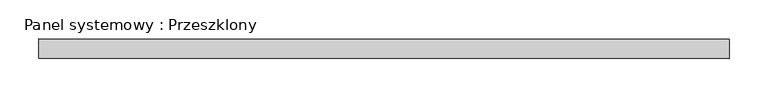
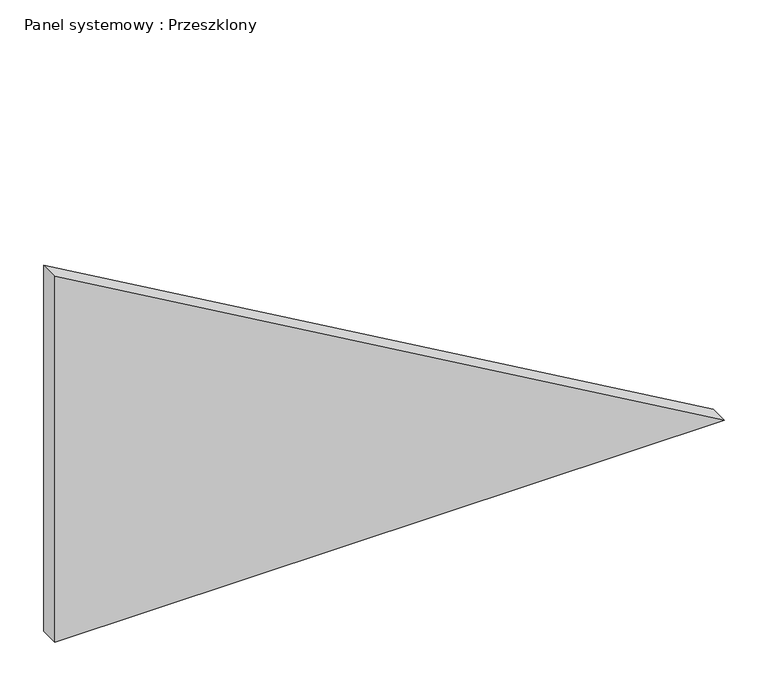
"""IFC4 building model written with IfcOpenShell, lengths in millimetres: plate geometry, Panel systemowy : Przeszklony."""

from ifc_helpers import new_model, si_unit, frame, origin, place, context, project, spatial, polyline, outline, extrude, source, transform, mapped, element, save


def panel_systemowy_przeszklony_1b4195de(model_context):
    return source(origin(), model_context, "Body", "SweptSolid", [
        extrude(outline(polyline([(0.0, -442.3489739), (0.0, 442.3489739), (510.7805983, -442.3489739), (0.0, -442.3489739)])), frame((0.0, -12.5, 0.0), z_axis=(0.0, 1.0, 0.0), x_axis=(0.0, 0.0, 1.0)), (0.0, 0.0, 1.0), 25.0),
    ])


if __name__ == "__main__":
    model = new_model("IFC4")
    model_context = context("Model", 3, world=origin())
    ifc_project = project(units=[si_unit("LENGTHUNIT", "METRE", prefix="MILLI")], contexts=[model_context])
    site = spatial("IfcSite", under=ifc_project)
    building = spatial("IfcBuilding", under=site)
    placement = place(None, origin())
    panel_systemowy_przeszklony_shape = panel_systemowy_przeszklony_1b4195de(model_context)
    element("IfcPlate", 1, ObjectType="Panel systemowy : Przeszklony", at=placement, inside=building, context=model_context, shape_type="MappedRepresentation", body=[
        mapped(panel_systemowy_przeszklony_shape, transform((0.0, 0.0, 0.0), x_axis=(1.0, 0.0, 0.0), y_axis=(0.0, 1.0, 0.0), z_axis=(0.0, 0.0, 1.0))),
    ])
    save(model, "model.ifc")
